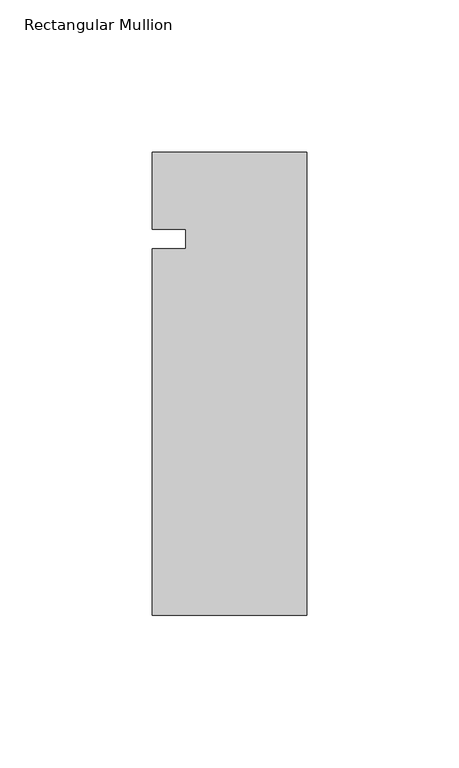
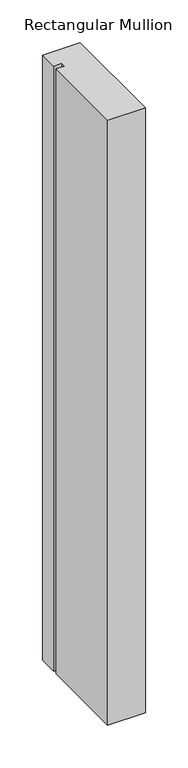
"""IFC4 building model written with IfcOpenShell, lengths in millimetres: member geometry, Rectangular Mullion."""

from ifc_helpers import new_model, si_unit, frame, origin, place, context, project, spatial, polyline, outline, extrude, source, transform, mapped, element, save


def rectangular_mullion_9b112070(model_context):
    return source(origin(), model_context, "Body", "SweptSolid", [
        extrude(outline(polyline([(-50.8, -152.4), (-50.8, -31.75), (-39.798425, -31.75), (-39.798425, -25.4), (-50.8, -25.4), (-50.8, 0.0), (0.0, 0.0), (0.0, -152.4), (-50.8, -152.4)])), frame((0.0, 0.0, -863.6), z_axis=(0.0, 0.0, 1.0), x_axis=(1.0, 0.0, 0.0)), (0.0, 0.0, 1.0), 863.6),
    ])


if __name__ == "__main__":
    model = new_model("IFC4")
    model_context = context("Model", 3, world=origin())
    ifc_project = project(units=[si_unit("LENGTHUNIT", "METRE", prefix="MILLI")], contexts=[model_context])
    site = spatial("IfcSite", under=ifc_project)
    building = spatial("IfcBuilding", under=site)
    placement = place(None, origin())
    rectangular_mullion_shape = rectangular_mullion_9b112070(model_context)
    element("IfcMember", 1, ObjectType="Rectangular Mullion", at=placement, inside=building, context=model_context, shape_type="MappedRepresentation", body=[
        mapped(rectangular_mullion_shape, transform((0.0, 0.0, 0.0), x_axis=(1.0, 0.0, 0.0), y_axis=(0.0, 1.0, 0.0), z_axis=(0.0, 0.0, 1.0))),
    ])
    save(model, "model.ifc")
